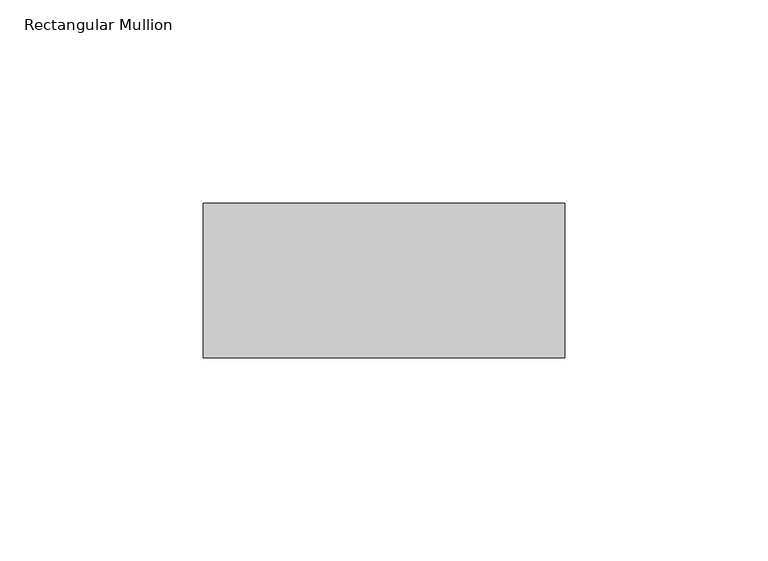
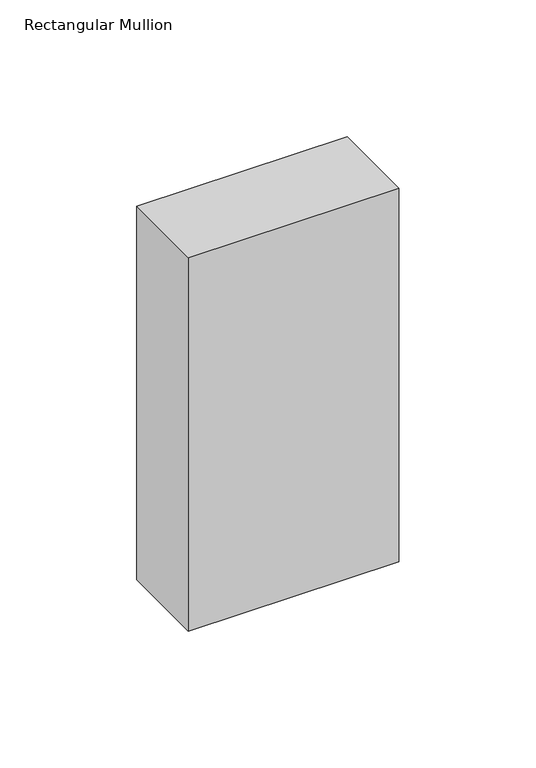
"""IFC4 building model written with IfcOpenShell, lengths in millimetres: member geometry, Rectangular Mullion."""

from ifc_helpers import new_model, si_unit, frame, origin, place, context, project, spatial, polyline, outline, extrude, source, transform, mapped, element, save


def rectangular_mullion_de36a2bd(model_context):
    return source(origin(), model_context, "Body", "SweptSolid", [
        extrude(outline(polyline([(0.0, 118.0), (0.0, 80.0), (-89.0, 80.0), (-89.0, 118.0), (0.0, 118.0)])), frame((0.0, 0.0, -167.0), z_axis=(0.0, 0.0, 1.0), x_axis=(1.0, 0.0, 0.0)), (0.0, 0.0, 1.0), 167.0),
    ])


if __name__ == "__main__":
    model = new_model("IFC4")
    model_context = context("Model", 3, world=origin())
    ifc_project = project(units=[si_unit("LENGTHUNIT", "METRE", prefix="MILLI")], contexts=[model_context])
    site = spatial("IfcSite", under=ifc_project)
    building = spatial("IfcBuilding", under=site)
    placement = place(None, origin())
    rectangular_mullion_shape = rectangular_mullion_de36a2bd(model_context)
    element("IfcMember", 1, ObjectType="Rectangular Mullion", at=placement, inside=building, context=model_context, shape_type="MappedRepresentation", body=[
        mapped(rectangular_mullion_shape, transform((0.0, 0.0, 0.0), x_axis=(1.0, 0.0, 0.0), y_axis=(0.0, 1.0, 0.0), z_axis=(0.0, 0.0, 1.0))),
    ])
    save(model, "model.ifc")
